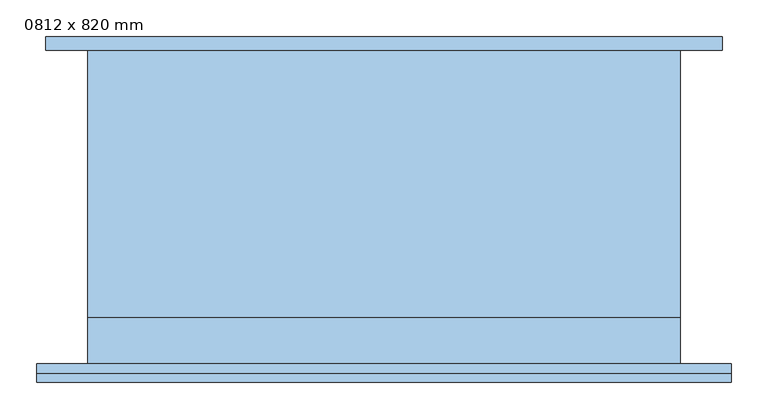
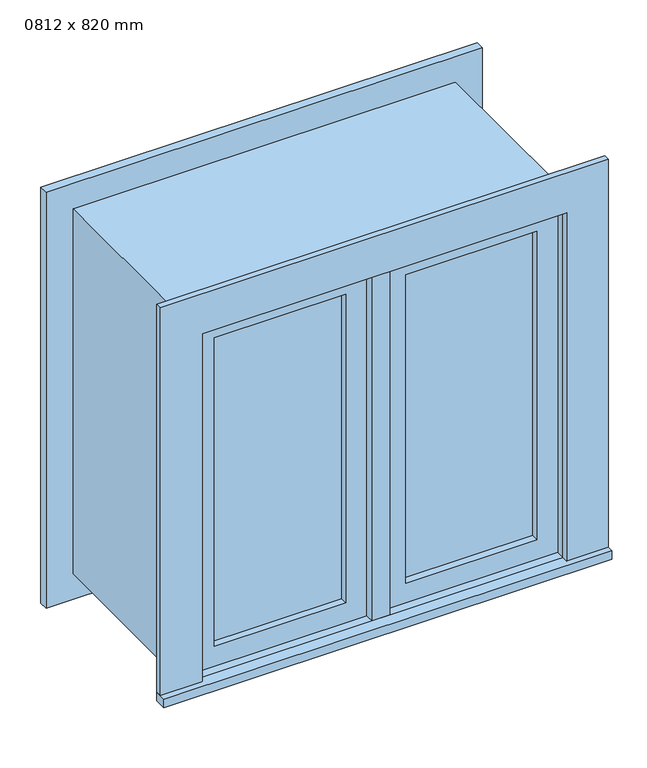
"""IFC4 building model written with IfcOpenShell, lengths in millimetres: window geometry, 0812 x 820 mm."""

from ifc_helpers import new_model, si_unit, frame, origin, place, context, project, spatial, polyline, outline, extrude, source, transform, mapped, element, save


def window_0812_x_820_mm_892dc046(model_context):
    return source(origin(), model_context, "Body", "SweptSolid", [
        extrude(outline(polyline([(63.5, -198.675), (63.5, -185.975), (342.5, -185.975), (342.5, -198.675), (63.5, -198.675)])), frame((0.0, 0.0, 978.5), z_axis=(0.0, 0.0, 1.0), x_axis=(1.0, 0.0, 0.0)), (0.0, 0.0, 1.0), 693.0),
        extrude(outline(polyline([(1715.95, 19.05), (934.05, 19.05), (934.05, 386.95), (1715.95, 386.95), (1715.95, 19.05)]), holes=[polyline([(1671.5, 63.5), (1671.5, 342.5), (978.5, 342.5), (978.5, 63.5), (1671.5, 63.5)])]), frame((0.0, -214.55, 0.0), z_axis=(0.0, 1.0, 0.0), x_axis=(0.0, 0.0, 1.0)), (0.0, 0.0, 1.0), 44.45),
        extrude(outline(polyline([(-475.95, -259.25), (-475.95, -233.55), (475.95, -233.55), (475.95, -259.25), (-475.95, -259.25)])), frame((0.0, 0.0, 915.0), z_axis=(0.0, 0.0, 1.0), x_axis=(1.0, 0.0, 0.0)), (0.0, 0.0, 1.0), 19.05),
        extrude(outline(polyline([(1715.95, -386.95), (1715.95, 386.95), (934.05, 386.95), (934.05, 475.95), (1804.95, 475.95), (1804.95, -475.95), (934.05, -475.95), (934.05, -386.95), (1715.95, -386.95)])), frame((0.0, -246.55, 0.0), z_axis=(0.0, 1.0, 0.0), x_axis=(0.0, 0.0, 1.0)), (0.0, 0.0, 1.0), 13.0),
        extrude(outline(polyline([(1792.25, 463.25), (1792.25, -463.25), (857.75, -463.25), (857.75, 463.25), (1792.25, 463.25)]), holes=[polyline([(1703.25, 374.25), (946.75, 374.25), (946.75, -374.25), (1703.25, -374.25), (1703.25, 374.25)])]), frame((0.0, 195.45, 0.0), z_axis=(0.0, 1.0, 0.0), x_axis=(0.0, 0.0, 1.0)), (0.0, 0.0, 1.0), 19.0),
        extrude(outline(polyline([(-63.5, -185.975), (-63.5, -198.675), (-342.5, -198.675), (-342.5, -185.975), (-63.5, -185.975)])), frame((0.0, 0.0, 978.5), z_axis=(0.0, 0.0, 1.0), x_axis=(1.0, 0.0, 0.0)), (0.0, 0.0, 1.0), 693.0),
        extrude(outline(polyline([(1715.95, -386.95), (934.05, -386.95), (934.05, -19.05), (1715.95, -19.05), (1715.95, -386.95)]), holes=[polyline([(1671.5, -342.5), (1671.5, -63.5), (978.5, -63.5), (978.5, -342.5), (1671.5, -342.5)])]), frame((0.0, -214.55, 0.0), z_axis=(0.0, 1.0, 0.0), x_axis=(0.0, 0.0, 1.0)), (0.0, 0.0, 1.0), 44.45),
        extrude(outline(polyline([(1735.0, -406.0), (915.0, -406.0), (915.0, 406.0), (1735.0, 406.0), (1735.0, -406.0)]), holes=[polyline([(1703.25, -374.25), (1703.25, 374.25), (946.75, 374.25), (946.75, -374.25), (1703.25, -374.25)])]), frame((0.0, -170.1, 0.0), z_axis=(0.0, 1.0, 0.0), x_axis=(0.0, 0.0, 1.0)), (0.0, 0.0, 1.0), 365.55),
        extrude(outline(polyline([(1735.0, 406.0), (1735.0, -406.0), (915.0, -406.0), (915.0, 406.0), (1735.0, 406.0)]), holes=[polyline([(1715.95, 386.95), (934.05, 386.95), (934.05, -386.95), (1715.95, -386.95), (1715.95, 386.95)])]), frame((0.0, -233.55, 0.0), z_axis=(0.0, 1.0, 0.0), x_axis=(0.0, 0.0, 1.0)), (0.0, 0.0, 1.0), 63.45),
        extrude(outline(polyline([(19.05, -170.1), (19.05, -233.6), (-19.05, -233.6), (-19.05, -170.1), (19.05, -170.1)])), frame((0.0, 0.0, 934.05), z_axis=(0.0, 0.0, 1.0), x_axis=(1.0, 0.0, 0.0)), (0.0, 0.0, 1.0), 781.9),
    ])


if __name__ == "__main__":
    model = new_model("IFC4")
    model_context = context("Model", 3, world=origin())
    ifc_project = project(units=[si_unit("LENGTHUNIT", "METRE", prefix="MILLI")], contexts=[model_context])
    site = spatial("IfcSite", under=ifc_project)
    building = spatial("IfcBuilding", under=site)
    placement = place(None, origin())
    window_0812_x_820_mm_shape = window_0812_x_820_mm_892dc046(model_context)
    element("IfcWindow", 1, ObjectType="0812 x 820 mm", at=placement, inside=building, context=model_context, shape_type="MappedRepresentation", body=[
        mapped(window_0812_x_820_mm_shape, transform((0.0, 0.0, 0.0), x_axis=(1.0, 0.0, 0.0), y_axis=(0.0, 1.0, 0.0), z_axis=(0.0, 0.0, 1.0))),
    ])
    save(model, "model.ifc")
